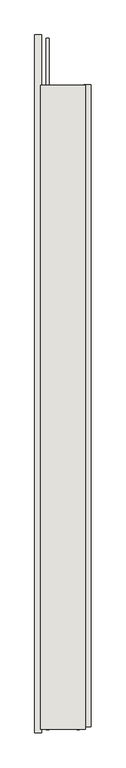
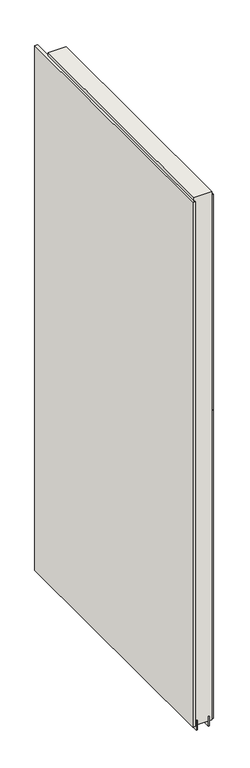
"""IFC4 building model written with IfcOpenShell, lengths in millimetres: wall geometry."""

from ifc_helpers import new_model, si_unit, frame, origin, place, context, project, spatial, polyline, outline, extrude, source, transform, mapped, element, save


def wall_ef605e63(model_context):
    return source(origin(), model_context, "Body", "SweptSolid", [
        extrude(outline(polyline([(45874.342211, -39473.6947634), (45874.342211, -39471.1547634), (45876.882211, -39471.1547634), (45876.882211, -39473.6947634), (45874.342211, -39473.6947634)])), frame((0.0, 0.0, 4419.6), z_axis=(0.0, 0.0, 1.0), x_axis=(1.0, 0.0, 0.0)), (0.0, 0.0, 1.0), 2.54),
        extrude(outline(polyline([(45926.412211, -39470.6896894), (45926.412211, -40626.0895122), (45913.712211, -40626.0895122), (45913.712211, -39470.6896894), (45926.412211, -39470.6896894)])), frame((0.0, 0.0, 5945.6000722), z_axis=(0.0, 0.0, 1.0), x_axis=(1.0, 0.0, 0.0)), (0.0, 0.0, 1.0), 1044.449905),
        extrude(outline(polyline([(45926.412211, -39470.6896894), (45926.412211, -40626.0895122), (45913.712211, -40626.0895122), (45913.712211, -39470.6896894), (45926.412211, -39470.6896894)])), frame((0.0, 0.0, 4445.0), z_axis=(0.0, 0.0, 1.0), x_axis=(1.0, 0.0, 0.0)), (0.0, 0.0, 1.0), 1496.600004),
        extrude(outline(polyline([(45824.812211, -40636.9882712), (45824.812211, -39380.7384088), (45837.512211, -39380.7384088), (45837.512211, -40636.9882712), (45824.812211, -40636.9882712)])), frame((0.0, 0.0, 4445.0), z_axis=(0.0, 0.0, 1.0), x_axis=(1.0, 0.0, 0.0)), (0.0, 0.0, 1.0), 2545.0498756),
        extrude(outline(polyline([(45900.6959556, -40630.5525208), (45900.6959556, -39471.1442224), (45905.774711, -39471.1442224), (45905.774711, -40630.5525208), (45900.6959556, -40630.5525208)])), frame((0.0, 0.0, 4418.6602), z_axis=(0.0, 0.0, 1.0), x_axis=(1.0, 0.0, 0.0)), (0.0, 0.0, 1.0), 47.625),
        extrude(outline(polyline([(45900.6959556, -40630.5525208), (45900.6959556, -39471.1442224), (45905.774711, -39471.1442224), (45905.774711, -40630.5525208), (45900.6959556, -40630.5525208)])), frame((0.0, 0.0, 4418.6602), z_axis=(0.0, 0.0, 1.0), x_axis=(1.0, 0.0, 0.0)), (0.0, 0.0, 1.0), 47.625),
        extrude(outline(polyline([(45850.5315652, -39386.0517332), (45850.5315652, -40630.5525208), (45845.449711, -40630.5525208), (45845.449711, -39386.0517332), (45850.5315652, -39386.0517332)])), frame((0.0, 0.0, 4418.6602), z_axis=(0.0, 0.0, 1.0), x_axis=(1.0, 0.0, 0.0)), (0.0, 0.0, 1.0), 47.625),
        extrude(outline(polyline([(45850.5315652, -39386.0517332), (45850.5315652, -40630.5525208), (45845.449711, -40630.5525208), (45845.449711, -39386.0517332), (45850.5315652, -39386.0517332)])), frame((0.0, 0.0, 4418.6602), z_axis=(0.0, 0.0, 1.0), x_axis=(1.0, 0.0, 0.0)), (0.0, 0.0, 1.0), 47.625),
        extrude(outline(polyline([(45916.2391808, -40630.5525208), (45834.9604254, -40630.5525208), (45834.9604254, -39471.1442224), (45916.2391808, -39471.1442224), (45916.2391808, -40630.5525208)])), frame((0.0, 0.0, 4445.0), z_axis=(0.0, 0.0, 1.0), x_axis=(1.0, 0.0, 0.0)), (0.0, 0.0, 1.0), 2562.4536762),
    ])


if __name__ == "__main__":
    model = new_model("IFC4")
    model_context = context("Model", 3, world=origin())
    ifc_project = project(units=[si_unit("LENGTHUNIT", "METRE", prefix="MILLI")], contexts=[model_context])
    site = spatial("IfcSite", under=ifc_project)
    building = spatial("IfcBuilding", under=site)
    placement = place(None, origin())
    wall_shape = wall_ef605e63(model_context)
    element("IfcWall", 1, at=placement, inside=building, context=model_context, shape_type="MappedRepresentation", body=[
        mapped(wall_shape, transform((0.0, 0.0, 0.0), x_axis=(1.0, 0.0, 0.0), y_axis=(0.0, 1.0, 0.0), z_axis=(0.0, 0.0, 1.0))),
    ])
    save(model, "model.ifc")
